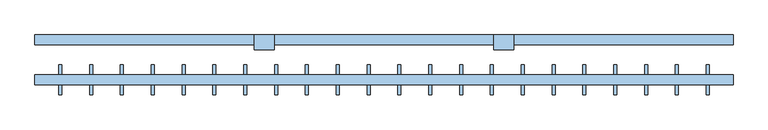
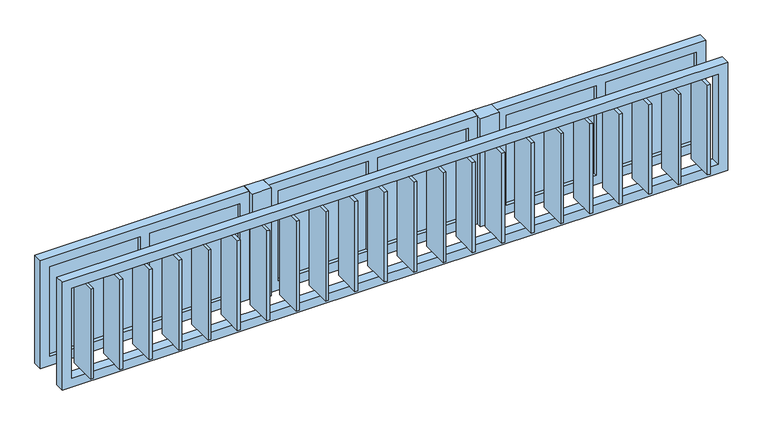
"""IFC4 building model written with IfcOpenShell, lengths in millimetres: window geometry."""

from ifc_helpers import new_model, si_unit, frame, origin, place, context, project, spatial, polyline, outline, extrude, source, transform, mapped, element, save


def window_86ebd492(model_context):
    return source(origin(), model_context, "Body", "SweptSolid", [
        extrude(outline(polyline([(1630.2272727, -174.65), (1615.2272727, -174.65), (1615.2272727, -25.35), (1630.2272727, -25.35), (1630.2272727, -174.65)])), frame((0.0, 0.0, 850.0), z_axis=(0.0, 0.0, 1.0), x_axis=(1.0, 0.0, 0.0)), (0.0, 0.0, 1.0), 500.0),
        extrude(outline(polyline([(1475.6818182, -174.65), (1460.6818182, -174.65), (1460.6818182, -25.35), (1475.6818182, -25.35), (1475.6818182, -174.65)])), frame((0.0, 0.0, 850.0), z_axis=(0.0, 0.0, 1.0), x_axis=(1.0, 0.0, 0.0)), (0.0, 0.0, 1.0), 500.0),
        extrude(outline(polyline([(1321.1363636, -174.65), (1306.1363636, -174.65), (1306.1363636, -25.35), (1321.1363636, -25.35), (1321.1363636, -174.65)])), frame((0.0, 0.0, 850.0), z_axis=(0.0, 0.0, 1.0), x_axis=(1.0, 0.0, 0.0)), (0.0, 0.0, 1.0), 500.0),
        extrude(outline(polyline([(1166.5909091, -174.65), (1151.5909091, -174.65), (1151.5909091, -25.35), (1166.5909091, -25.35), (1166.5909091, -174.65)])), frame((0.0, 0.0, 850.0), z_axis=(0.0, 0.0, 1.0), x_axis=(1.0, 0.0, 0.0)), (0.0, 0.0, 1.0), 500.0),
        extrude(outline(polyline([(1012.0454545, -174.65), (997.0454545, -174.65), (997.0454545, -25.35), (1012.0454545, -25.35), (1012.0454545, -174.65)])), frame((0.0, 0.0, 850.0), z_axis=(0.0, 0.0, 1.0), x_axis=(1.0, 0.0, 0.0)), (0.0, 0.0, 1.0), 500.0),
        extrude(outline(polyline([(857.5, -174.65), (842.5, -174.65), (842.5, -25.35), (857.5, -25.35), (857.5, -174.65)])), frame((0.0, 0.0, 850.0), z_axis=(0.0, 0.0, 1.0), x_axis=(1.0, 0.0, 0.0)), (0.0, 0.0, 1.0), 500.0),
        extrude(outline(polyline([(702.9545455, -174.65), (687.9545455, -174.65), (687.9545455, -25.35), (702.9545455, -25.35), (702.9545455, -174.65)])), frame((0.0, 0.0, 850.0), z_axis=(0.0, 0.0, 1.0), x_axis=(1.0, 0.0, 0.0)), (0.0, 0.0, 1.0), 500.0),
        extrude(outline(polyline([(548.4090909, -174.65), (533.4090909, -174.65), (533.4090909, -25.35), (548.4090909, -25.35), (548.4090909, -174.65)])), frame((0.0, 0.0, 850.0), z_axis=(0.0, 0.0, 1.0), x_axis=(1.0, 0.0, 0.0)), (0.0, 0.0, 1.0), 500.0),
        extrude(outline(polyline([(393.8636364, -174.65), (378.8636364, -174.65), (378.8636364, -25.35), (393.8636364, -25.35), (393.8636364, -174.65)])), frame((0.0, 0.0, 850.0), z_axis=(0.0, 0.0, 1.0), x_axis=(1.0, 0.0, 0.0)), (0.0, 0.0, 1.0), 500.0),
        extrude(outline(polyline([(239.3181818, -174.65), (224.3181818, -174.65), (224.3181818, -25.35), (239.3181818, -25.35), (239.3181818, -174.65)])), frame((0.0, 0.0, 850.0), z_axis=(0.0, 0.0, 1.0), x_axis=(1.0, 0.0, 0.0)), (0.0, 0.0, 1.0), 500.0),
        extrude(outline(polyline([(84.7727273, -174.65), (69.7727273, -174.65), (69.7727273, -25.35), (84.7727273, -25.35), (84.7727273, -174.65)])), frame((0.0, 0.0, 850.0), z_axis=(0.0, 0.0, 1.0), x_axis=(1.0, 0.0, 0.0)), (0.0, 0.0, 1.0), 500.0),
        extrude(outline(polyline([(-69.7727273, -174.65), (-84.7727273, -174.65), (-84.7727273, -25.35), (-69.7727273, -25.35), (-69.7727273, -174.65)])), frame((0.0, 0.0, 850.0), z_axis=(0.0, 0.0, 1.0), x_axis=(1.0, 0.0, 0.0)), (0.0, 0.0, 1.0), 500.0),
        extrude(outline(polyline([(-224.3181818, -174.65), (-239.3181818, -174.65), (-239.3181818, -25.35), (-224.3181818, -25.35), (-224.3181818, -174.65)])), frame((0.0, 0.0, 850.0), z_axis=(0.0, 0.0, 1.0), x_axis=(1.0, 0.0, 0.0)), (0.0, 0.0, 1.0), 500.0),
        extrude(outline(polyline([(-378.8636364, -174.65), (-393.8636364, -174.65), (-393.8636364, -25.35), (-378.8636364, -25.35), (-378.8636364, -174.65)])), frame((0.0, 0.0, 850.0), z_axis=(0.0, 0.0, 1.0), x_axis=(1.0, 0.0, 0.0)), (0.0, 0.0, 1.0), 500.0),
        extrude(outline(polyline([(-533.4090909, -174.65), (-548.4090909, -174.65), (-548.4090909, -25.35), (-533.4090909, -25.35), (-533.4090909, -174.65)])), frame((0.0, 0.0, 850.0), z_axis=(0.0, 0.0, 1.0), x_axis=(1.0, 0.0, 0.0)), (0.0, 0.0, 1.0), 500.0),
        extrude(outline(polyline([(-687.9545455, -174.65), (-702.9545455, -174.65), (-702.9545455, -25.35), (-687.9545455, -25.35), (-687.9545455, -174.65)])), frame((0.0, 0.0, 850.0), z_axis=(0.0, 0.0, 1.0), x_axis=(1.0, 0.0, 0.0)), (0.0, 0.0, 1.0), 500.0),
        extrude(outline(polyline([(-842.5, -174.65), (-857.5, -174.65), (-857.5, -25.35), (-842.5, -25.35), (-842.5, -174.65)])), frame((0.0, 0.0, 850.0), z_axis=(0.0, 0.0, 1.0), x_axis=(1.0, 0.0, 0.0)), (0.0, 0.0, 1.0), 500.0),
        extrude(outline(polyline([(-997.0454545, -174.65), (-1012.0454545, -174.65), (-1012.0454545, -25.35), (-997.0454545, -25.35), (-997.0454545, -174.65)])), frame((0.0, 0.0, 850.0), z_axis=(0.0, 0.0, 1.0), x_axis=(1.0, 0.0, 0.0)), (0.0, 0.0, 1.0), 500.0),
        extrude(outline(polyline([(-1151.5909091, -174.65), (-1166.5909091, -174.65), (-1166.5909091, -25.35), (-1151.5909091, -25.35), (-1151.5909091, -174.65)])), frame((0.0, 0.0, 850.0), z_axis=(0.0, 0.0, 1.0), x_axis=(1.0, 0.0, 0.0)), (0.0, 0.0, 1.0), 500.0),
        extrude(outline(polyline([(-1306.1363636, -174.65), (-1321.1363636, -174.65), (-1321.1363636, -25.35), (-1306.1363636, -25.35), (-1306.1363636, -174.65)])), frame((0.0, 0.0, 850.0), z_axis=(0.0, 0.0, 1.0), x_axis=(1.0, 0.0, 0.0)), (0.0, 0.0, 1.0), 500.0),
        extrude(outline(polyline([(-1460.6818182, -174.65), (-1475.6818182, -174.65), (-1475.6818182, -25.35), (-1460.6818182, -25.35), (-1460.6818182, -174.65)])), frame((0.0, 0.0, 850.0), z_axis=(0.0, 0.0, 1.0), x_axis=(1.0, 0.0, 0.0)), (0.0, 0.0, 1.0), 500.0),
        extrude(outline(polyline([(-1615.2272727, -174.65), (-1630.2272727, -174.65), (-1630.2272727, -25.35), (-1615.2272727, -25.35), (-1615.2272727, -174.65)])), frame((0.0, 0.0, 850.0), z_axis=(0.0, 0.0, 1.0), x_axis=(1.0, 0.0, 0.0)), (0.0, 0.0, 1.0), 500.0),
        extrude(outline(polyline([(1400.0, 1750.0), (1400.0, -1750.0), (800.0, -1750.0), (800.0, 1750.0), (1400.0, 1750.0)]), holes=[polyline([(1350.0, 1700.0), (850.0, 1700.0), (850.0, -1700.0), (1350.0, -1700.0), (1350.0, 1700.0)])]), frame((0.0, -125.0, 0.0), z_axis=(0.0, 1.0, 0.0), x_axis=(0.0, 0.0, 1.0)), (0.0, 0.0, 1.0), 50.0),
        extrude(outline(polyline([(650.0, 125.0), (650.0, 50.0), (550.0, 50.0), (550.0, 125.0), (650.0, 125.0)])), frame((0.0, 0.0, 800.0), z_axis=(0.0, 0.0, 1.0), x_axis=(1.0, 0.0, 0.0)), (0.0, 0.0, 1.0), 600.0),
        extrude(outline(polyline([(-550.0, 125.0), (-550.0, 50.0), (-650.0, 50.0), (-650.0, 125.0), (-550.0, 125.0)])), frame((0.0, 0.0, 800.0), z_axis=(0.0, 0.0, 1.0), x_axis=(1.0, 0.0, 0.0)), (0.0, 0.0, 1.0), 600.0),
        extrude(outline(polyline([(1175.0, 105.0), (1175.0, 95.0), (700.0, 95.0), (700.0, 105.0), (1175.0, 105.0)])), frame((0.0, 0.0, 850.0), z_axis=(0.0, 0.0, 1.0), x_axis=(1.0, 0.0, 0.0)), (0.0, 0.0, 1.0), 500.0),
        extrude(outline(polyline([(1700.0, 105.0), (1700.0, 95.0), (1225.0, 95.0), (1225.0, 105.0), (1700.0, 105.0)])), frame((0.0, 0.0, 850.0), z_axis=(0.0, 0.0, 1.0), x_axis=(1.0, 0.0, 0.0)), (0.0, 0.0, 1.0), 500.0),
        extrude(outline(polyline([(1400.0, 1750.0), (1400.0, 650.0), (800.0, 650.0), (800.0, 1750.0), (1400.0, 1750.0)]), holes=[polyline([(850.0, 1175.0), (850.0, 700.0), (1350.0, 700.0), (1350.0, 1175.0), (850.0, 1175.0)]), polyline([(1350.0, 1700.0), (850.0, 1700.0), (850.0, 1225.0), (1350.0, 1225.0), (1350.0, 1700.0)])]), frame((0.0, 75.0, 0.0), z_axis=(0.0, 1.0, 0.0), x_axis=(0.0, 0.0, 1.0)), (0.0, 0.0, 1.0), 50.0),
        extrude(outline(polyline([(-25.0, 105.0), (-25.0, 95.0), (-500.0, 95.0), (-500.0, 105.0), (-25.0, 105.0)])), frame((0.0, 0.0, 850.0), z_axis=(0.0, 0.0, 1.0), x_axis=(1.0, 0.0, 0.0)), (0.0, 0.0, 1.0), 500.0),
        extrude(outline(polyline([(500.0, 105.0), (500.0, 95.0), (25.0, 95.0), (25.0, 105.0), (500.0, 105.0)])), frame((0.0, 0.0, 850.0), z_axis=(0.0, 0.0, 1.0), x_axis=(1.0, 0.0, 0.0)), (0.0, 0.0, 1.0), 500.0),
        extrude(outline(polyline([(1400.0, 550.0), (1400.0, -550.0), (800.0, -550.0), (800.0, 550.0), (1400.0, 550.0)]), holes=[polyline([(850.0, -25.0), (850.0, -500.0), (1350.0, -500.0), (1350.0, -25.0), (850.0, -25.0)]), polyline([(1350.0, 500.0), (850.0, 500.0), (850.0, 25.0), (1350.0, 25.0), (1350.0, 500.0)])]), frame((0.0, 75.0, 0.0), z_axis=(0.0, 1.0, 0.0), x_axis=(0.0, 0.0, 1.0)), (0.0, 0.0, 1.0), 50.0),
        extrude(outline(polyline([(-1225.0, 105.0), (-1225.0, 95.0), (-1700.0, 95.0), (-1700.0, 105.0), (-1225.0, 105.0)])), frame((0.0, 0.0, 850.0), z_axis=(0.0, 0.0, 1.0), x_axis=(1.0, 0.0, 0.0)), (0.0, 0.0, 1.0), 500.0),
        extrude(outline(polyline([(-700.0, 105.0), (-700.0, 95.0), (-1175.0, 95.0), (-1175.0, 105.0), (-700.0, 105.0)])), frame((0.0, 0.0, 850.0), z_axis=(0.0, 0.0, 1.0), x_axis=(1.0, 0.0, 0.0)), (0.0, 0.0, 1.0), 500.0),
        extrude(outline(polyline([(1400.0, -650.0), (1400.0, -1750.0), (800.0, -1750.0), (800.0, -650.0), (1400.0, -650.0)]), holes=[polyline([(850.0, -1225.0), (850.0, -1700.0), (1350.0, -1700.0), (1350.0, -1225.0), (850.0, -1225.0)]), polyline([(1350.0, -700.0), (850.0, -700.0), (850.0, -1175.0), (1350.0, -1175.0), (1350.0, -700.0)])]), frame((0.0, 75.0, 0.0), z_axis=(0.0, 1.0, 0.0), x_axis=(0.0, 0.0, 1.0)), (0.0, 0.0, 1.0), 50.0),
    ])


if __name__ == "__main__":
    model = new_model("IFC4")
    model_context = context("Model", 3, world=origin())
    ifc_project = project(units=[si_unit("LENGTHUNIT", "METRE", prefix="MILLI")], contexts=[model_context])
    site = spatial("IfcSite", under=ifc_project)
    building = spatial("IfcBuilding", under=site)
    placement = place(None, origin())
    window_shape = window_86ebd492(model_context)
    element("IfcWindow", 1, at=placement, inside=building, context=model_context, shape_type="MappedRepresentation", body=[
        mapped(window_shape, transform((0.0, 0.0, 0.0), x_axis=(1.0, 0.0, 0.0), y_axis=(0.0, 1.0, 0.0), z_axis=(0.0, 0.0, 1.0))),
    ])
    save(model, "model.ifc")
